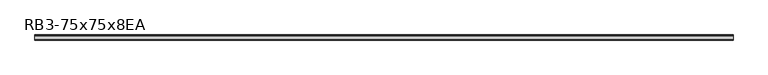
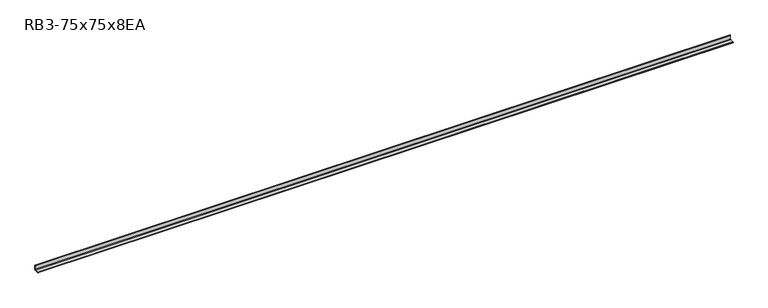
"""IFC4 building model written with IfcOpenShell, lengths in millimetres: member geometry, RB3-75x75x8EA."""

from ifc_helpers import new_model, si_unit, point, frame, frame_2d, origin, place, context, project, spatial, polyline, circle_curve, trimmed, segment, composite_curve, outline, extrude, source, transform, mapped, element, save


def rb3_75x75x8ea_36caee55(model_context):
    return source(origin(), model_context, "Body", "SweptSolid", [
        extrude(outline(composite_curve([segment(polyline([(21.3, -21.3), (-53.7, -21.3), (-53.7, -18.3)]), True, "CONTINUOUS"), segment(trimmed(circle_curve(frame_2d((-48.7, -18.3)), 5.0), [point((-53.7, -18.3))], [point((-48.7, -13.3))], False, "CARTESIAN"), True, "CONTINUOUS"), segment(polyline([(-48.7, -13.3), (5.3, -13.3)]), True, "CONTINUOUS"), segment(trimmed(circle_curve(frame_2d((5.3, -5.3)), 8.0), [point((5.3, -13.3))], [point((13.3, -5.3))], True, "CARTESIAN"), True, "CONTINUOUS"), segment(polyline([(13.3, -5.3), (13.3, 48.7)]), True, "CONTINUOUS"), segment(trimmed(circle_curve(frame_2d((18.3, 48.7)), 5.0), [point((13.3, 48.7))], [point((18.3, 53.7))], False, "CARTESIAN"), True, "CONTINUOUS"), segment(polyline([(18.3, 53.7), (21.3, 53.7), (21.3, -21.3)]), True, "CONTINUOUS")], self_intersect=False)), frame((-5077.0, 0.0, 0.0), z_axis=(1.0, 0.0, 0.0), x_axis=(0.0, 1.0, 0.0)), (0.0, 0.0, 1.0), 10201.7633747),
    ])


if __name__ == "__main__":
    model = new_model("IFC4")
    model_context = context("Model", 3, world=origin())
    ifc_project = project(units=[si_unit("LENGTHUNIT", "METRE", prefix="MILLI")], contexts=[model_context])
    site = spatial("IfcSite", under=ifc_project)
    building = spatial("IfcBuilding", under=site)
    placement = place(None, origin())
    rb3_75x75x8ea_shape = rb3_75x75x8ea_36caee55(model_context)
    element("IfcMember", 1, ObjectType="RB3-75x75x8EA", at=placement, inside=building, context=model_context, shape_type="MappedRepresentation", body=[
        mapped(rb3_75x75x8ea_shape, transform((0.0, 0.0, 0.0), x_axis=(1.0, 0.0, 0.0), y_axis=(0.0, 1.0, 0.0), z_axis=(0.0, 0.0, 1.0))),
    ])
    save(model, "model.ifc")
